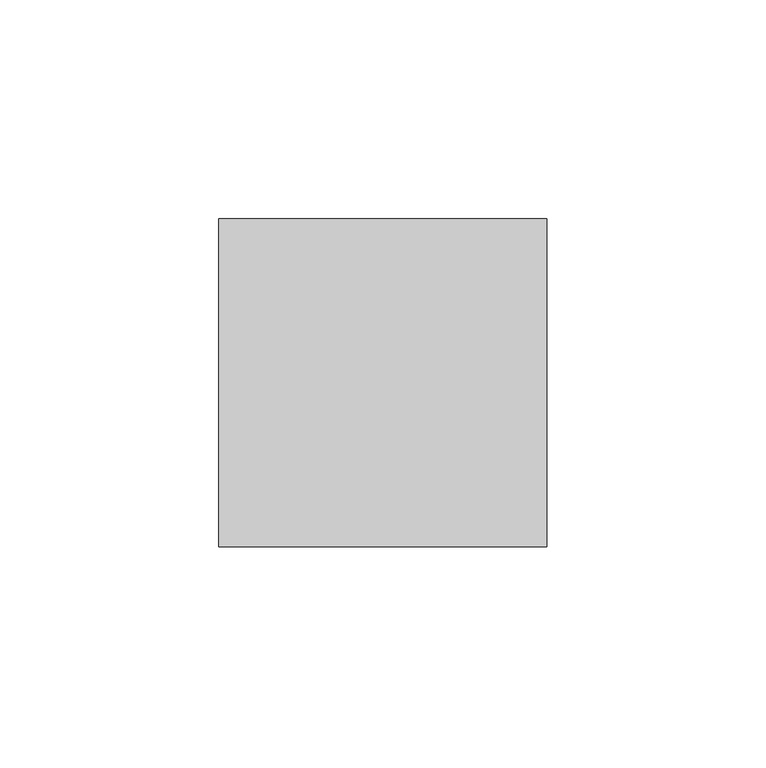
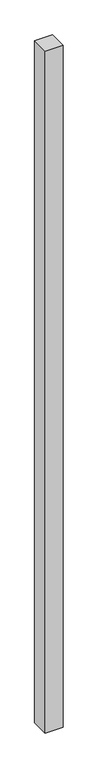
"""IFC4 building model written with IfcOpenShell, lengths in millimetres: member geometry."""

import ifcopenshell
import ifcopenshell.guid

model = None  # the IFC model being written
_history = None  # IfcOwnerHistory: only IFC2X3 demands one
_inside = {}  # id of a spatial element -> (the spatial element, [elements in it])
_under = {}  # id of a project, library or spatial element -> (it, [spatial elements below it])
_declared = {}  # id of a project -> (the project, [libraries it declares])
_typed = {}  # id of a type object -> (the type object, [elements of that type])
_made_of = {}  # id of a material, layer set ... -> (it, [elements and type objects made of it])


def new_model(schema):
    """Start an empty IFC model of exactly this schema.

    Asked for "IFC4X3", IfcOpenShell would pick the latest addendum, in which some entities
    have other attributes; the version numbers below select the first issue.
    IFC2X3 requires an IfcOwnerHistory on every rooted entity: one is made here for all.
    """
    global model, _history
    if schema == "IFC4X3":
        model = ifcopenshell.file(schema_version=(4, 3, 0, 0))
    else:
        model = ifcopenshell.file(schema=schema)
    _inside.clear()
    _under.clear()
    _declared.clear()
    _typed.clear()
    _made_of.clear()
    _history = None
    if model.schema == "IFC2X3":
        org = make("IfcOrganization", Name="unknown")
        user = make(
            "IfcPersonAndOrganization",
            ThePerson=make("IfcPerson", FamilyName="unknown"),
            TheOrganization=org,
        )
        app = make(
            "IfcApplication",
            ApplicationDeveloper=org,
            Version="unknown",
            ApplicationFullName="unknown",
            ApplicationIdentifier="unknown",
        )
        _history = make(
            "IfcOwnerHistory",
            OwningUser=user,
            OwningApplication=app,
            ChangeAction="ADDED",
            CreationDate=0,
        )
    return model


def make(cls, **values):
    """One entity of the class cls with the attributes given. An attribute that is None is left unset."""
    return model.create_entity(
        cls, **{name: value for name, value in values.items() if value is not None}
    )


def rooted(cls, **values):
    """An entity with a GlobalId (a new one), such as an element, a storey or a relation."""
    return make(cls, GlobalId=ifcopenshell.guid.new(), OwnerHistory=_history, **values)


def si_unit(unit_type, name, prefix=None):
    """IfcSIUnit, for example si_unit("LENGTHUNIT", "METRE", prefix="MILLI")."""
    return make("IfcSIUnit", UnitType=unit_type, Prefix=prefix, Name=name)


def assignment(units):
    """IfcUnitAssignment: the units of a project."""
    return None if units is None else make("IfcUnitAssignment", Units=units)


def point(xyz):
    """IfcCartesianPoint."""
    return None if xyz is None else make("IfcCartesianPoint", Coordinates=xyz)


def direction(xyz):
    """IfcDirection."""
    return None if xyz is None else make("IfcDirection", DirectionRatios=xyz)


def frame(location, z_axis=None, x_axis=None):
    """IfcAxis2Placement3D, a coordinate frame: its origin and axes. An axis left out is left unset."""
    return make(
        "IfcAxis2Placement3D",
        Location=point(location),
        Axis=direction(z_axis),
        RefDirection=direction(x_axis),
    )


def origin():
    """The frame at (0, 0, 0) with its axes left unset."""
    return frame((0.0, 0.0, 0.0))


def place(relative_to, where):
    """IfcLocalPlacement: puts the frame where relative to a parent placement (None: the world)."""
    return make(
        "IfcLocalPlacement", PlacementRelTo=relative_to, RelativePlacement=where
    )


def context(
    kind, dimensions, precision=None, world=None, true_north=None, identifier=None
):
    """IfcGeometricRepresentationContext, for example the 3D "Model" context."""
    return make(
        "IfcGeometricRepresentationContext",
        ContextIdentifier=identifier,
        ContextType=kind,
        CoordinateSpaceDimension=dimensions,
        Precision=precision,
        WorldCoordinateSystem=world,
        TrueNorth=true_north,
    )


def project(units=None, contexts=None):
    """IfcProject with its units and contexts."""
    return rooted(
        "IfcProject",
        Name="project",
        RepresentationContexts=contexts,
        UnitsInContext=assignment(units),
    )


def spatial(cls, under=None, at=None, **own):
    """A site, building, storey or space (cls), placed at a placement, below another one or the project."""
    s = rooted(cls, ObjectPlacement=at, **own)
    if under is not None:
        _under.setdefault(under.id(), (under, []))[1].append(s)
    return s


def polyline(points):
    """IfcPolyline through the points."""
    return make("IfcPolyline", Points=[point(p) for p in points])


def outline(outer, holes=None, kind="AREA"):
    """IfcArbitraryClosedProfileDef: a profile drawn as a closed curve; with holes, ...WithVoids."""
    if holes is None:
        return make("IfcArbitraryClosedProfileDef", ProfileType=kind, OuterCurve=outer)
    return make(
        "IfcArbitraryProfileDefWithVoids",
        ProfileType=kind,
        OuterCurve=outer,
        InnerCurves=holes,
    )


def extrude(swept, where, along, depth):
    """IfcExtrudedAreaSolid: the profile swept, set in the frame where, extruded along a direction by depth."""
    return make(
        "IfcExtrudedAreaSolid",
        SweptArea=swept,
        Position=where,
        ExtrudedDirection=direction(along),
        Depth=depth,
    )


def shape(context_of_items, identifier, shape_type, items):
    """IfcShapeRepresentation: the items that make up one representation, for example the "Body"."""
    return make(
        "IfcShapeRepresentation",
        ContextOfItems=context_of_items,
        RepresentationIdentifier=identifier,
        RepresentationType=shape_type,
        Items=items,
    )


def source(mapping_origin, context_of_items, identifier, shape_type, items):
    """IfcRepresentationMap: a shape defined once, which mapped items show again and again."""
    return make(
        "IfcRepresentationMap",
        MappingOrigin=mapping_origin,
        MappedRepresentation=shape(context_of_items, identifier, shape_type, items),
    )


def transform(
    local_origin,
    x_axis=None,
    y_axis=None,
    z_axis=None,
    scale=None,
    scale2=None,
    scale3=None,
    uniform=True,
):
    """IfcCartesianTransformationOperator3D, or its non-uniform kind. x_axis, y_axis, z_axis: its Axis1, 2, 3."""
    if uniform:
        return make(
            "IfcCartesianTransformationOperator3D",
            Axis1=direction(x_axis),
            Axis2=direction(y_axis),
            LocalOrigin=point(local_origin),
            Scale=scale,
            Axis3=direction(z_axis),
        )
    return make(
        "IfcCartesianTransformationOperator3DnonUniform",
        Axis1=direction(x_axis),
        Axis2=direction(y_axis),
        LocalOrigin=point(local_origin),
        Scale=scale,
        Axis3=direction(z_axis),
        Scale2=scale2,
        Scale3=scale3,
    )


def mapped(mapping_source, mapping_target):
    """IfcMappedItem: shows the shape of a source again, moved by a transform."""
    return make(
        "IfcMappedItem", MappingSource=mapping_source, MappingTarget=mapping_target
    )


def made_of(thing, what):
    """Note that an element or type object is made of a material, layer set ...; save() writes the relation."""
    if what is not None:
        _made_of.setdefault(what.id(), (what, []))[1].append(thing)
    return thing


def element(
    cls,
    number,
    at=None,
    inside=None,
    cuts=None,
    type_object=None,
    material=None,
    context=None,
    identifier="Body",
    shape_type=None,
    held_by="IfcProductDefinitionShape",
    body=None,
    shapes=None,
    **own,
):
    """One element of the class cls, such as IfcWall. Its Tag is "e" and its number.

    at: its placement. inside: the storey or other place that contains it. cuts: it is an
    opening in that element (IfcRelVoidsElement). A single representation is given by context,
    identifier, shape_type and body (its items); several are given by shapes. held_by: the class
    of the entity that holds the representations. save() writes the other relations.
    """
    e = rooted(cls, Tag="e%d" % number, ObjectPlacement=at, **own)
    if body is not None:
        shapes = [shape(context, identifier, shape_type, body)]
    if shapes is not None:
        e.Representation = make(held_by, Representations=shapes)
    if inside is not None:
        _inside.setdefault(inside.id(), (inside, []))[1].append(e)
    if cuts is not None:
        rooted(
            "IfcRelVoidsElement", RelatingBuildingElement=cuts, RelatedOpeningElement=e
        )
    if type_object is not None:
        _typed.setdefault(type_object.id(), (type_object, []))[1].append(e)
    return made_of(e, material)


def aggregate(whole, parts):
    """IfcRelAggregates: a whole, such as a stair, and the parts it consists of."""
    return rooted("IfcRelAggregates", RelatingObject=whole, RelatedObjects=parts)


def save(model, path):
    """Write the relations noted so far, then the file.

    IfcRelAggregates (storeys below a building ...), IfcRelContainedInSpatialStructure (elements
    in a storey), IfcRelDefinesByType, IfcRelAssociatesMaterial and IfcRelDeclares: one each for
    every whole, place, type object, material and project.
    """
    for whole, parts in _under.values():
        aggregate(whole, parts)
    for where, things in _inside.values():
        rooted(
            "IfcRelContainedInSpatialStructure",
            RelatedElements=things,
            RelatingStructure=where,
        )
    for kind, things in _typed.values():
        rooted("IfcRelDefinesByType", RelatedObjects=things, RelatingType=kind)
    for what, things in _made_of.values():
        rooted("IfcRelAssociatesMaterial", RelatedObjects=things, RelatingMaterial=what)
    for by, libraries in _declared.values():
        rooted("IfcRelDeclares", RelatingContext=by, RelatedDefinitions=libraries)
    model.write(path)


def member_6185ac80(model_context):
    return source(origin(), model_context, "Body", "SweptSolid", [
        extrude(outline(polyline([(0.0, 37.5), (0.0, -37.5), (-75.0, -37.5), (-75.0, 37.5), (0.0, 37.5)])), frame((0.0, 0.0, -3000.0), z_axis=(0.0, 0.0, 1.0), x_axis=(1.0, 0.0, 0.0)), (0.0, 0.0, 1.0), 3000.0),
    ])


if __name__ == "__main__":
    model = new_model("IFC4")
    model_context = context("Model", 3, world=origin())
    ifc_project = project(units=[si_unit("LENGTHUNIT", "METRE", prefix="MILLI")], contexts=[model_context])
    site = spatial("IfcSite", under=ifc_project)
    building = spatial("IfcBuilding", under=site)
    placement = place(None, origin())
    member_shape = member_6185ac80(model_context)
    element("IfcMember", 1, at=placement, inside=building, context=model_context, shape_type="MappedRepresentation", body=[
        mapped(member_shape, transform((0.0, 0.0, 0.0), x_axis=(1.0, 0.0, 0.0), y_axis=(0.0, 1.0, 0.0), z_axis=(0.0, 0.0, 1.0))),
    ])
    save(model, "model.ifc")
